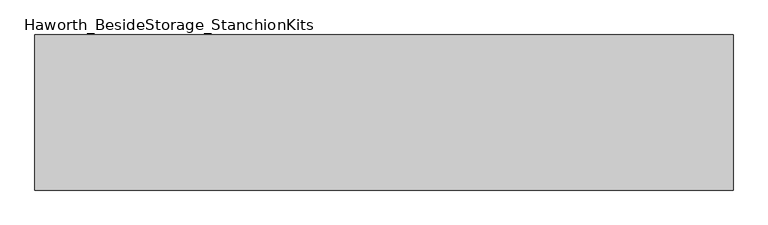
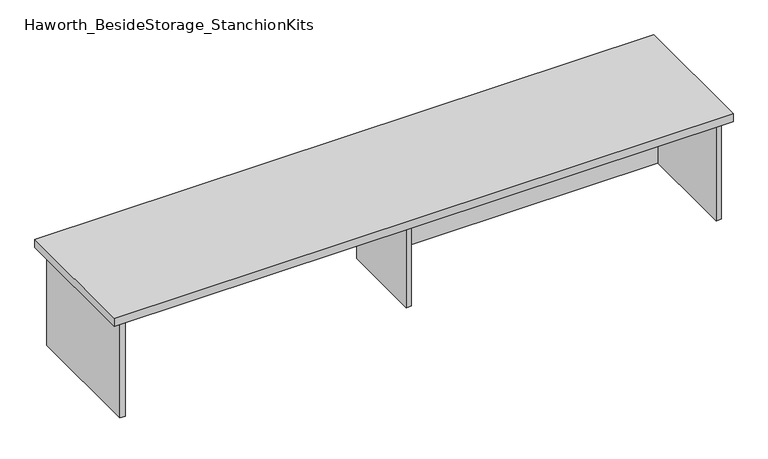
"""IFC4 building model written with IfcOpenShell, lengths in millimetres: furniture geometry, Haworth_BesideStorage_StanchionKits."""

from ifc_helpers import new_model, si_unit, frame, origin, place, context, project, spatial, polyline, outline, extrude, source, transform, mapped, element, save


def haworth_besidestorage_stanchionkits_2eb4b1b0(model_context):
    return source(origin(), model_context, "Body", "SweptSolid", [
        extrude(outline(polyline([(1076.325, 0.0), (1076.325, -406.4), (-752.475, -406.4), (-752.475, 0.0), (1076.325, 0.0)])), frame((0.0, 0.0, 736.6), z_axis=(0.0, 0.0, 1.0), x_axis=(1.0, 0.0, 0.0)), (0.0, 0.0, 1.0), 25.4),
        extrude(outline(polyline([(169.8625, -76.2), (1035.05, -76.2), (1035.05, -92.075), (169.8625, -92.075), (169.8625, -76.2)])), frame((0.0, 0.0, 431.8), z_axis=(0.0, 0.0, 1.0), x_axis=(1.0, 0.0, 0.0)), (0.0, 0.0, 1.0), 304.8),
        extrude(outline(polyline([(169.8625, -330.2), (153.9875, -330.2), (153.9875, -76.2), (169.8625, -76.2), (169.8625, -330.2)])), frame((0.0, 0.0, 431.8), z_axis=(0.0, 0.0, 1.0), x_axis=(1.0, 0.0, 0.0)), (0.0, 0.0, 1.0), 304.8),
        extrude(outline(polyline([(1050.925, -390.525), (1035.05, -390.525), (1035.05, -15.875), (1050.925, -15.875), (1050.925, -390.525)])), frame((0.0, 0.0, 431.8), z_axis=(0.0, 0.0, 1.0), x_axis=(1.0, 0.0, 0.0)), (0.0, 0.0, 1.0), 304.8),
        extrude(outline(polyline([(-711.2, -390.525), (-727.075, -390.525), (-727.075, -15.875), (-711.2, -15.875), (-711.2, -390.525)])), frame((0.0, 0.0, 431.8), z_axis=(0.0, 0.0, 1.0), x_axis=(1.0, 0.0, 0.0)), (0.0, 0.0, 1.0), 304.8),
    ])


if __name__ == "__main__":
    model = new_model("IFC4")
    model_context = context("Model", 3, world=origin())
    ifc_project = project(units=[si_unit("LENGTHUNIT", "METRE", prefix="MILLI")], contexts=[model_context])
    site = spatial("IfcSite", under=ifc_project)
    building = spatial("IfcBuilding", under=site)
    placement = place(None, origin())
    haworth_besidestorage_stanchionkits_shape = haworth_besidestorage_stanchionkits_2eb4b1b0(model_context)
    element("IfcFurniture", 1, ObjectType="Haworth_BesideStorage_StanchionKits", at=placement, inside=building, context=model_context, shape_type="MappedRepresentation", body=[
        mapped(haworth_besidestorage_stanchionkits_shape, transform((0.0, 0.0, 0.0), x_axis=(1.0, 0.0, 0.0), y_axis=(0.0, 1.0, 0.0), z_axis=(0.0, 0.0, 1.0))),
    ])
    save(model, "model.ifc")
